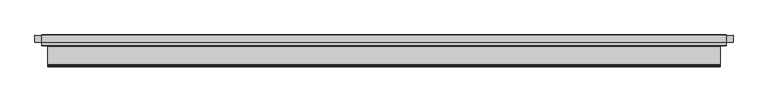
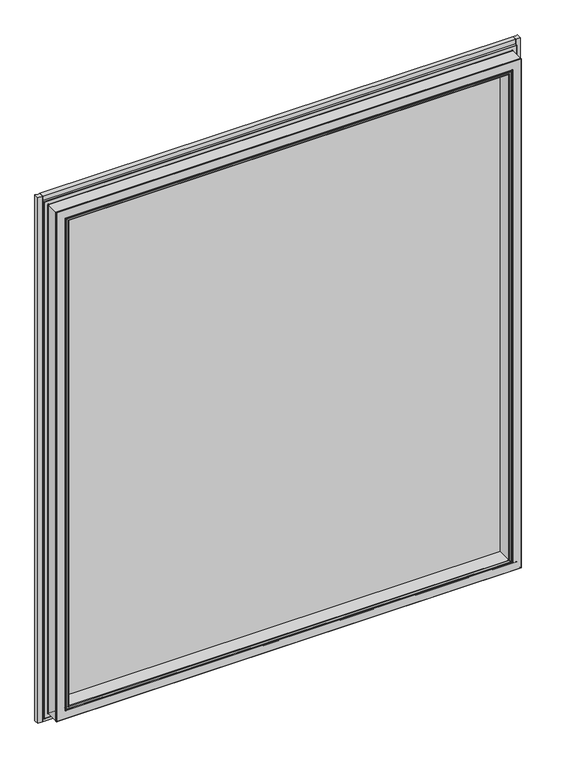
"""IFC4 building model written with IfcOpenShell, lengths in millimetres: plate geometry."""

from ifc_helpers import new_model, si_unit, point, frame, frame_2d, origin, place, context, project, spatial, polyline, circle_curve, ellipse_curve, trimmed, segment, composite_curve, outline, extrude, source, transform, mapped, element, save
from ifc_brep_helpers import plane_surface, cylinder_surface, revolved_surface, advanced_brep


def plate_c5e0ac38(model_context):
    return source(origin(), model_context, "Body", "SolidModel", [
        extrude(outline(polyline([(952.1049789, -8.0), (952.1049789, -14.0), (-952.1049789, -14.0), (-952.1049789, -8.0), (952.1049789, -8.0)])), frame((0.0, 0.0, 69.0422165), z_axis=(0.0, 0.0, 1.0), x_axis=(1.0, 0.0, 0.0)), (0.0, 0.0, 1.0), 2214.8236393),
        extrude(outline(polyline([(998.1471954, 14.0), (998.1471954, 8.0), (-998.2989015, 8.0), (-998.2989015, 14.0), (998.1471954, 14.0)])), frame((0.0, 0.0, 22.8482938), z_axis=(0.0, 0.0, 1.0), x_axis=(1.0, 0.0, 0.0)), (0.0, 0.0, 1.0), 2307.2114845),
        advanced_brep(
        [(1010.6058611, -18.0, 2342.366738), (1011.1471954, -17.4586657, 2342.9080722), (-1011.1471954, -17.4586657, 2342.9080722), (-1010.6058611, -18.0, 2342.366738), (992.6980354, -19.0434673, 2324.4589122), (993.7415027, -18.0, 2325.5023795), (-993.7415027, -18.0, 2325.5023795), (-992.6980354, -19.0434673, 2324.4589122), (992.6980354, -74.0150336, 2324.4589122), (-992.6980354, -74.0150336, 2324.4589122), (993.1968973, -74.5150323, 2324.9577741), (-993.1968973, -74.5150323, 2324.9577741), (993.6288142, -75.2649576, 2325.3896911), (-993.6288142, -75.2649576, 2325.3896911), (993.1968973, -76.0148829, 2324.9577741), (-993.1968973, -76.0148829, 2324.9577741), (992.6980354, -76.5148816, 2324.4589122), (-992.6980354, -76.5148816, 2324.4589122), (992.6980354, -78.0150323, 2324.4589122), (-992.6980354, -78.0150323, 2324.4589122), (993.1968973, -78.515031, 2324.9577741), (-993.1968973, -78.515031, 2324.9577741), (993.6287929, -79.2649933, 2325.3896697), (-993.6287929, -79.2649933, 2325.3896697), (993.1957592, -80.0149569, 2324.956636), (-993.1957592, -80.0149569, 2324.956636), (956.1980354, -79.5149569, 2287.9589122), (956.6980354, -80.0149569, 2288.4589122), (-956.6980354, -80.0149569, 2288.4589122), (-956.1980354, -79.5149569, 2287.9589122), (956.1980354, -72.0149569, 2287.9589122), (-956.1980354, -72.0149569, 2287.9589122), (951.1980354, -72.5149569, 2282.9589122), (951.6980354, -72.0149569, 2283.4589122), (-951.6980354, -72.0149569, 2283.4589122), (-951.1980354, -72.5149569, 2282.9589122), (951.1980354, -79.5149569, 2282.9589122), (-951.1980354, -79.5149569, 2282.9589122), (950.6980354, -80.0149569, 2282.4589122), (-950.6980354, -80.0149569, 2282.4589122), (941.1980354, -78.5149569, 2272.9589122), (942.6980354, -80.0149569, 2274.4589122), (-942.6980354, -80.0149569, 2274.4589122), (-941.1980354, -78.5149569, 2272.9589122), (941.1980354, -14.0, 2272.9589122), (-941.1980354, -14.0, 2272.9589122), (952.1049789, 1.9889586, 2283.8658558), (952.1049789, -14.0, 2283.8658558), (-952.1049789, -14.0, 2283.8658558), (-952.1049789, 1.9889586, 2283.8658558), (982.1980354, 1.4889586, 2313.9589122), (981.6980354, 1.9889586, 2313.4589122), (-981.6980354, 1.9889586, 2313.4589122), (-982.1980354, 1.4889586, 2313.9589122), (982.1980354, -0.972538, 2313.9589122), (-982.1980354, -0.972538, 2313.9589122), (987.5175994, -2.1250171, 2319.2784762), (-987.5175994, -2.1250171, 2319.2784762), (991.1528104, 0.8069629, 2322.9136873), (-991.1528104, 0.8069629, 2322.9136873), (991.1528104, 4.0621387, 2322.9136873), (-991.1528104, 4.0621387, 2322.9136873), (992.1528104, 5.0621387, 2323.9136873), (-992.1528104, 5.0621387, 2323.9136873), (1005.2471954, 7.0621387, 2337.0080722), (1003.2471954, 5.0621387, 2335.0080722), (-1003.2471954, 5.0621387, 2335.0080722), (-1005.2471954, 7.0621387, 2337.0080722), (1005.2471954, 13.0, 2337.0080722), (-1005.2471954, 13.0, 2337.0080722), (1006.2471954, 14.0, 2338.0080722), (-1006.2471954, 14.0, 2338.0080722), (1011.1471954, 13.5, 2342.9080722), (1010.6471954, 14.0, 2342.4080722), (-1010.6471954, 14.0, 2342.4080722), (-1011.1471954, 13.5, 2342.9080722), (-1011.1471954, -17.4586657, 10.0), (-1010.6058611, -18.0, 10.5413343), (-993.7415027, -18.0, 27.4056927), (-992.6980354, -19.0434673, 28.44916), (-992.6980354, -74.0150336, 28.44916), (-993.1968973, -74.5150323, 27.9502981), (-993.6288142, -75.2649576, 27.5183811), (-993.1968973, -76.0148829, 27.9502981), (-992.6980354, -76.5148816, 28.44916), (-992.6980354, -78.0150323, 28.44916), (-993.1968973, -78.515031, 27.9502981), (-993.6287929, -79.2649933, 27.5184025), (-993.1957592, -80.0149569, 27.9514362), (-956.6980354, -80.0149569, 64.44916), (-956.1980354, -79.5149569, 64.94916), (-956.1980354, -72.0149569, 64.94916), (-951.6980354, -72.0149569, 69.44916), (-951.1980354, -72.5149569, 69.94916), (-951.1980354, -79.5149569, 69.94916), (-950.6980354, -80.0149569, 70.44916), (-942.6980354, -80.0149569, 78.44916), (-941.1980354, -78.5149569, 79.94916), (-941.1980354, -14.0, 79.94916), (-952.1049789, -14.0, 69.0422165), (-952.1049789, 1.9889586, 69.0422165), (-981.6980354, 1.9889586, 39.44916), (-982.1980354, 1.4889586, 38.94916), (-982.1980354, -0.972538, 38.94916), (-987.5175994, -2.1250171, 33.629596), (-991.1528104, 0.8069629, 29.9943849), (-991.1528104, 4.0621387, 29.9943849), (-992.1528104, 5.0621387, 28.9943849), (-1003.2471954, 5.0621387, 17.9), (-1005.2471954, 7.0621387, 15.9), (-1005.2471954, 13.0, 15.9), (-1006.2471954, 14.0, 14.9), (-1010.6471954, 14.0, 10.5), (-1011.1471954, 13.5, 10.0), (1011.1471954, -17.4586657, 10.0), (1010.6058611, -18.0, 10.5413343), (993.7415027, -18.0, 27.4056927), (992.6980354, -19.0434673, 28.44916), (992.6980354, -74.0150336, 28.44916), (993.1968973, -74.5150323, 27.9502981), (993.6288142, -75.2649576, 27.5183811), (993.1968973, -76.0148829, 27.9502981), (992.6980354, -76.5148816, 28.44916), (992.6980354, -78.0150323, 28.44916), (993.1968973, -78.515031, 27.9502981), (993.6287929, -79.2649933, 27.5184025), (993.1957592, -80.0149569, 27.9514362), (956.6980354, -80.0149569, 64.44916), (956.1980354, -79.5149569, 64.94916), (956.1980354, -72.0149569, 64.94916), (951.6980354, -72.0149569, 69.44916), (951.1980354, -72.5149569, 69.94916), (951.1980354, -79.5149569, 69.94916), (950.6980354, -80.0149569, 70.44916), (942.6980354, -80.0149569, 78.44916), (941.1980354, -78.5149569, 79.94916), (941.1980354, -14.0, 79.94916), (952.1049789, -14.0, 69.0422165), (952.1049789, 1.9889586, 69.0422165), (981.6980354, 1.9889586, 39.44916), (982.1980354, 1.4889586, 38.94916), (982.1980354, -0.972538, 38.94916), (987.5175994, -2.1250171, 33.629596), (991.1528104, 0.8069629, 29.9943849), (991.1528104, 4.0621387, 29.9943849), (992.1528104, 5.0621387, 28.9943849), (1003.2471954, 5.0621387, 17.9), (1005.2471954, 7.0621387, 15.9), (1005.2471954, 13.0, 15.9), (1006.2471954, 14.0, 14.9), (1010.6471954, 14.0, 10.5), (1011.1471954, 13.5, 10.0)],
        [
            (0, 1, ellipse_curve(frame((1010.6058611, -17.4586657, 2342.366738), z_axis=(-0.7071067811865475, 0.0, 0.7071067811865475), x_axis=(0.7071067811865476, 0.0, 0.7071067811865474)), 0.7655622, 0.5413343)),
            (1, 2),
            (2, 3, ellipse_curve(frame((-1010.6058611, -17.4586657, 2342.366738), z_axis=(0.7071067811865475, 0.0, 0.7071067811865475), x_axis=(0.7071067811865476, 0.0, -0.7071067811865474)), 0.7655622, 0.5413343)),
            (3, 0),
            (4, 5, ellipse_curve(frame((993.7415027, -19.0434673, 2325.5023795), z_axis=(0.7071067811865475, 0.0, -0.7071067811865475), x_axis=(-0.7071067811865476, 0.0, -0.7071067811865474)), 1.4756856, 1.0434673)),
            (5, 6),
            (6, 7, ellipse_curve(frame((-993.7415027, -19.0434673, 2325.5023795), z_axis=(-0.7071067811865475, 0.0, -0.7071067811865475), x_axis=(-0.7071067811865476, 0.0, 0.7071067811865474)), 1.4756856, 1.0434673)),
            (7, 4),
            (8, 4),
            (7, 9),
            (9, 8),
            (10, 8, ellipse_curve(frame((993.1980354, -74.0150336, 2324.9589122), z_axis=(0.7071067811865475, 0.0, -0.7071067811865475), x_axis=(-0.7071067811865476, 0.0, -0.7071067811865474)), 0.7071068, 0.5)),
            (9, 11, ellipse_curve(frame((-993.1980354, -74.0150336, 2324.9589122), z_axis=(-0.7071067811865475, 0.0, -0.7071067811865475), x_axis=(-0.7071067811865476, 0.0, 0.7071067811865474)), 0.7071068, 0.5)),
            (11, 10),
            (12, 10, ellipse_curve(frame((993.1957592, -75.015031, 2324.956636), z_axis=(-0.7071067811865475, 0.0, 0.7071067811865475), x_axis=(0.7071067811865476, 0.0, 0.7071067811865474)), 0.7071068, 0.5)),
            (11, 13, ellipse_curve(frame((-993.1957592, -75.015031, 2324.956636), z_axis=(0.7071067811865475, 0.0, 0.7071067811865475), x_axis=(0.7071067811865476, 0.0, -0.7071067811865474)), 0.7071068, 0.5)),
            (13, 12),
            (14, 12, ellipse_curve(frame((993.1957592, -75.5148842, 2324.956636), z_axis=(-0.7071067811865475, 0.0, 0.7071067811865475), x_axis=(0.7071067811865476, 0.0, 0.7071067811865474)), 0.7071068, 0.5)),
            (13, 15, ellipse_curve(frame((-993.1957592, -75.5148842, 2324.956636), z_axis=(0.7071067811865475, 0.0, 0.7071067811865475), x_axis=(0.7071067811865476, 0.0, -0.7071067811865474)), 0.7071068, 0.5)),
            (15, 14),
            (16, 14, ellipse_curve(frame((993.1980354, -76.5148816, 2324.9589122), z_axis=(0.7071067811865475, 0.0, -0.7071067811865475), x_axis=(-0.7071067811865476, 0.0, -0.7071067811865474)), 0.7071068, 0.5)),
            (15, 17, ellipse_curve(frame((-993.1980354, -76.5148816, 2324.9589122), z_axis=(-0.7071067811865475, 0.0, -0.7071067811865475), x_axis=(-0.7071067811865476, 0.0, 0.7071067811865474)), 0.7071068, 0.5)),
            (17, 16),
            (18, 16),
            (17, 19),
            (19, 18),
            (20, 18, ellipse_curve(frame((993.1980354, -78.0150323, 2324.9589122), z_axis=(0.7071067811865475, 0.0, -0.7071067811865475), x_axis=(-0.7071067811865476, 0.0, -0.7071067811865474)), 0.7071068, 0.5)),
            (19, 21, ellipse_curve(frame((-993.1980354, -78.0150323, 2324.9589122), z_axis=(-0.7071067811865475, 0.0, -0.7071067811865475), x_axis=(-0.7071067811865476, 0.0, 0.7071067811865474)), 0.7071068, 0.5)),
            (21, 20),
            (22, 20, ellipse_curve(frame((993.1957592, -79.0150297, 2324.956636), z_axis=(-0.7071067811865475, 0.0, 0.7071067811865475), x_axis=(0.7071067811865476, 0.0, 0.7071067811865474)), 0.7071068, 0.5)),
            (21, 23, ellipse_curve(frame((-993.1957592, -79.0150297, 2324.956636), z_axis=(0.7071067811865475, 0.0, 0.7071067811865475), x_axis=(0.7071067811865476, 0.0, -0.7071067811865474)), 0.7071068, 0.5)),
            (23, 22),
            (24, 22, ellipse_curve(frame((993.1957592, -79.5149569, 2324.956636), z_axis=(-0.7071067811865475, 0.0, 0.7071067811865475), x_axis=(0.7071067811865476, 0.0, 0.7071067811865474)), 0.7071068, 0.5)),
            (23, 25, ellipse_curve(frame((-993.1957592, -79.5149569, 2324.956636), z_axis=(0.7071067811865475, 0.0, 0.7071067811865475), x_axis=(0.7071067811865476, 0.0, -0.7071067811865474)), 0.7071068, 0.5)),
            (25, 24),
            (26, 27, ellipse_curve(frame((956.6980354, -79.5149569, 2288.4589122), z_axis=(-0.7071067811865475, 0.0, 0.7071067811865475), x_axis=(0.7071067811865476, 0.0, 0.7071067811865474)), 0.7071068, 0.5)),
            (27, 28),
            (28, 29, ellipse_curve(frame((-956.6980354, -79.5149569, 2288.4589122), z_axis=(0.7071067811865475, 0.0, 0.7071067811865475), x_axis=(0.7071067811865476, 0.0, -0.7071067811865474)), 0.7071068, 0.5)),
            (29, 26),
            (30, 26),
            (29, 31),
            (31, 30),
            (32, 33, ellipse_curve(frame((951.6980354, -72.5149569, 2283.4589122), z_axis=(0.7071067811865475, 0.0, -0.7071067811865475), x_axis=(-0.7071067811865476, 0.0, -0.7071067811865474)), 0.7071068, 0.5)),
            (33, 34),
            (34, 35, ellipse_curve(frame((-951.6980354, -72.5149569, 2283.4589122), z_axis=(-0.7071067811865475, 0.0, -0.7071067811865475), x_axis=(-0.7071067811865476, 0.0, 0.7071067811865474)), 0.7071068, 0.5)),
            (35, 32),
            (36, 32),
            (35, 37),
            (37, 36),
            (38, 36, ellipse_curve(frame((950.6980354, -79.5149569, 2282.4589122), z_axis=(-0.7071067811865475, 0.0, 0.7071067811865475), x_axis=(0.7071067811865476, 0.0, 0.7071067811865474)), 0.7071068, 0.5)),
            (37, 39, ellipse_curve(frame((-950.6980354, -79.5149569, 2282.4589122), z_axis=(0.7071067811865475, 0.0, 0.7071067811865475), x_axis=(0.7071067811865476, 0.0, -0.7071067811865474)), 0.7071068, 0.5)),
            (39, 38),
            (40, 41, ellipse_curve(frame((942.6980354, -78.5149569, 2274.4589122), z_axis=(-0.7071067811865475, 0.0, 0.7071067811865475), x_axis=(0.7071067811865476, 0.0, 0.7071067811865474)), 2.1213203, 1.5)),
            (41, 42),
            (42, 43, ellipse_curve(frame((-942.6980354, -78.5149569, 2274.4589122), z_axis=(0.7071067811865475, 0.0, 0.7071067811865475), x_axis=(0.7071067811865476, 0.0, -0.7071067811865474)), 2.1213203, 1.5)),
            (43, 40),
            (44, 40),
            (43, 45),
            (45, 44),
            (46, 47),
            (47, 48),
            (48, 49),
            (49, 46),
            (50, 51, ellipse_curve(frame((981.6980354, 1.4889586, 2313.4589122), z_axis=(-0.7071067811865475, 0.0, 0.7071067811865475), x_axis=(0.7071067811865476, 0.0, 0.7071067811865474)), 0.7071068, 0.5)),
            (51, 52),
            (52, 53, ellipse_curve(frame((-981.6980354, 1.4889586, 2313.4589122), z_axis=(0.7071067811865475, 0.0, 0.7071067811865475), x_axis=(0.7071067811865476, 0.0, -0.7071067811865474)), 0.7071068, 0.5)),
            (53, 50),
            (54, 50),
            (53, 55),
            (55, 54),
            (56, 54),
            (55, 57),
            (57, 56),
            (58, 56, ellipse_curve(frame((988.1528104, 0.8069629, 2319.9136873), z_axis=(0.7071067811865475, 0.0, -0.7071067811865475), x_axis=(-0.7071067811865476, 0.0, -0.7071067811865474)), 4.2426407, 3.0)),
            (57, 59, ellipse_curve(frame((-988.1528104, 0.8069629, 2319.9136873), z_axis=(-0.7071067811865475, 0.0, -0.7071067811865475), x_axis=(-0.7071067811865476, 0.0, 0.7071067811865474)), 4.2426407, 3.0)),
            (59, 58),
            (60, 58),
            (59, 61),
            (61, 60),
            (62, 60, ellipse_curve(frame((992.1528104, 4.0621387, 2323.9136873), z_axis=(-0.7071067811865475, 0.0, 0.7071067811865475), x_axis=(0.7071067811865476, 0.0, 0.7071067811865474)), 1.4142136, 1.0)),
            (61, 63, ellipse_curve(frame((-992.1528104, 4.0621387, 2323.9136873), z_axis=(0.7071067811865475, 0.0, 0.7071067811865475), x_axis=(0.7071067811865476, 0.0, -0.7071067811865474)), 1.4142136, 1.0)),
            (63, 62),
            (64, 65, ellipse_curve(frame((1003.2471954, 7.0621387, 2335.0080722), z_axis=(0.7071067811865475, 0.0, -0.7071067811865475), x_axis=(-0.7071067811865476, 0.0, -0.7071067811865474)), 2.8284271, 2.0)),
            (65, 66),
            (66, 67, ellipse_curve(frame((-1003.2471954, 7.0621387, 2335.0080722), z_axis=(-0.7071067811865475, 0.0, -0.7071067811865475), x_axis=(-0.7071067811865476, 0.0, 0.7071067811865474)), 2.8284271, 2.0)),
            (67, 64),
            (68, 64),
            (67, 69),
            (69, 68),
            (70, 68, ellipse_curve(frame((1006.2471954, 13.0, 2338.0080722), z_axis=(-0.7071067811865475, 0.0, 0.7071067811865475), x_axis=(0.7071067811865476, 0.0, 0.7071067811865474)), 1.4142136, 1.0)),
            (69, 71, ellipse_curve(frame((-1006.2471954, 13.0, 2338.0080722), z_axis=(0.7071067811865475, 0.0, 0.7071067811865475), x_axis=(0.7071067811865476, 0.0, -0.7071067811865474)), 1.4142136, 1.0)),
            (71, 70),
            (72, 73, ellipse_curve(frame((1010.6471954, 13.5, 2342.4080722), z_axis=(-0.7071067811865475, 0.0, 0.7071067811865475), x_axis=(0.7071067811865476, 0.0, 0.7071067811865474)), 0.7071068, 0.5)),
            (73, 74),
            (74, 75, ellipse_curve(frame((-1010.6471954, 13.5, 2342.4080722), z_axis=(0.7071067811865475, 0.0, 0.7071067811865475), x_axis=(0.7071067811865476, 0.0, -0.7071067811865474)), 0.7071068, 0.5)),
            (75, 72),
            (1, 72),
            (75, 2),
            (2, 76),
            (76, 77, ellipse_curve(frame((-1010.6058611, -17.4586657, 10.5413343), z_axis=(-0.7071067811865475, 0.0, 0.7071067811865475), x_axis=(0.7071067811865474, 0.0, 0.7071067811865476)), 0.7655622, 0.5413343)),
            (77, 3),
            (6, 78),
            (78, 79, ellipse_curve(frame((-993.7415027, -19.0434673, 27.4056927), z_axis=(0.7071067811865475, 0.0, -0.7071067811865475), x_axis=(-0.7071067811865474, 0.0, -0.7071067811865476)), 1.4756856, 1.0434673)),
            (79, 7),
            (79, 80),
            (80, 9),
            (80, 81, ellipse_curve(frame((-993.1980354, -74.0150336, 27.94916), z_axis=(0.7071067811865475, 0.0, -0.7071067811865475), x_axis=(-0.7071067811865474, 0.0, -0.7071067811865476)), 0.7071068, 0.5)),
            (81, 11),
            (81, 82, ellipse_curve(frame((-993.1957592, -75.015031, 27.9514362), z_axis=(-0.7071067811865475, 0.0, 0.7071067811865475), x_axis=(0.7071067811865474, 0.0, 0.7071067811865476)), 0.7071068, 0.5)),
            (82, 13),
            (82, 83, ellipse_curve(frame((-993.1957592, -75.5148842, 27.9514362), z_axis=(-0.7071067811865475, 0.0, 0.7071067811865475), x_axis=(0.7071067811865474, 0.0, 0.7071067811865476)), 0.7071068, 0.5)),
            (83, 15),
            (83, 84, ellipse_curve(frame((-993.1980354, -76.5148816, 27.94916), z_axis=(0.7071067811865475, 0.0, -0.7071067811865475), x_axis=(-0.7071067811865474, 0.0, -0.7071067811865476)), 0.7071068, 0.5)),
            (84, 17),
            (84, 85),
            (85, 19),
            (85, 86, ellipse_curve(frame((-993.1980354, -78.0150323, 27.94916), z_axis=(0.7071067811865475, 0.0, -0.7071067811865475), x_axis=(-0.7071067811865474, 0.0, -0.7071067811865476)), 0.7071068, 0.5)),
            (86, 21),
            (86, 87, ellipse_curve(frame((-993.1957592, -79.0150297, 27.9514362), z_axis=(-0.7071067811865475, 0.0, 0.7071067811865475), x_axis=(0.7071067811865474, 0.0, 0.7071067811865476)), 0.7071068, 0.5)),
            (87, 23),
            (87, 88, ellipse_curve(frame((-993.1957592, -79.5149569, 27.9514362), z_axis=(-0.7071067811865475, 0.0, 0.7071067811865475), x_axis=(0.7071067811865474, 0.0, 0.7071067811865476)), 0.7071068, 0.5)),
            (88, 25),
            (28, 89),
            (89, 90, ellipse_curve(frame((-956.6980354, -79.5149569, 64.44916), z_axis=(-0.7071067811865475, 0.0, 0.7071067811865475), x_axis=(0.7071067811865474, 0.0, 0.7071067811865476)), 0.7071068, 0.5)),
            (90, 29),
            (90, 91),
            (91, 31),
            (34, 92),
            (92, 93, ellipse_curve(frame((-951.6980354, -72.5149569, 69.44916), z_axis=(0.7071067811865475, 0.0, -0.7071067811865475), x_axis=(-0.7071067811865474, 0.0, -0.7071067811865476)), 0.7071068, 0.5)),
            (93, 35),
            (93, 94),
            (94, 37),
            (94, 95, ellipse_curve(frame((-950.6980354, -79.5149569, 70.44916), z_axis=(-0.7071067811865475, 0.0, 0.7071067811865475), x_axis=(0.7071067811865474, 0.0, 0.7071067811865476)), 0.7071068, 0.5)),
            (95, 39),
            (42, 96),
            (96, 97, ellipse_curve(frame((-942.6980354, -78.5149569, 78.44916), z_axis=(-0.7071067811865475, 0.0, 0.7071067811865475), x_axis=(0.7071067811865474, 0.0, 0.7071067811865476)), 2.1213203, 1.5)),
            (97, 43),
            (97, 98),
            (98, 45),
            (48, 99),
            (99, 100),
            (100, 49),
            (52, 101),
            (101, 102, ellipse_curve(frame((-981.6980354, 1.4889586, 39.44916), z_axis=(-0.7071067811865475, 0.0, 0.7071067811865475), x_axis=(0.7071067811865474, 0.0, 0.7071067811865476)), 0.7071068, 0.5)),
            (102, 53),
            (102, 103),
            (103, 55),
            (103, 104),
            (104, 57),
            (104, 105, ellipse_curve(frame((-988.1528104, 0.8069629, 32.9943849), z_axis=(0.7071067811865475, 0.0, -0.7071067811865475), x_axis=(-0.7071067811865474, 0.0, -0.7071067811865476)), 4.2426407, 3.0)),
            (105, 59),
            (105, 106),
            (106, 61),
            (106, 107, ellipse_curve(frame((-992.1528104, 4.0621387, 28.9943849), z_axis=(-0.7071067811865475, 0.0, 0.7071067811865475), x_axis=(0.7071067811865474, 0.0, 0.7071067811865476)), 1.4142136, 1.0)),
            (107, 63),
            (66, 108),
            (108, 109, ellipse_curve(frame((-1003.2471954, 7.0621387, 17.9), z_axis=(0.7071067811865475, 0.0, -0.7071067811865475), x_axis=(-0.7071067811865474, 0.0, -0.7071067811865476)), 2.8284271, 2.0)),
            (109, 67),
            (109, 110),
            (110, 69),
            (110, 111, ellipse_curve(frame((-1006.2471954, 13.0, 14.9), z_axis=(-0.7071067811865475, 0.0, 0.7071067811865475), x_axis=(0.7071067811865474, 0.0, 0.7071067811865476)), 1.4142136, 1.0)),
            (111, 71),
            (74, 112),
            (112, 113, ellipse_curve(frame((-1010.6471954, 13.5, 10.5), z_axis=(-0.7071067811865475, 0.0, 0.7071067811865475), x_axis=(0.7071067811865474, 0.0, 0.7071067811865476)), 0.7071068, 0.5)),
            (113, 75),
            (113, 76),
            (76, 114),
            (114, 115, ellipse_curve(frame((1010.6058611, -17.4586657, 10.5413343), z_axis=(-0.7071067811865475, 0.0, -0.7071067811865475), x_axis=(-0.7071067811865476, 0.0, 0.7071067811865474)), 0.7655622, 0.5413343)),
            (115, 77),
            (78, 116),
            (116, 117, ellipse_curve(frame((993.7415027, -19.0434673, 27.4056927), z_axis=(0.7071067811865475, 0.0, 0.7071067811865475), x_axis=(0.7071067811865476, 0.0, -0.7071067811865474)), 1.4756856, 1.0434673)),
            (117, 79),
            (117, 118),
            (118, 80),
            (118, 119, ellipse_curve(frame((993.1980354, -74.0150336, 27.94916), z_axis=(0.7071067811865475, 0.0, 0.7071067811865475), x_axis=(0.7071067811865476, 0.0, -0.7071067811865474)), 0.7071068, 0.5)),
            (119, 81),
            (119, 120, ellipse_curve(frame((993.1957592, -75.015031, 27.9514362), z_axis=(-0.7071067811865475, 0.0, -0.7071067811865475), x_axis=(-0.7071067811865476, 0.0, 0.7071067811865474)), 0.7071068, 0.5)),
            (120, 82),
            (120, 121, ellipse_curve(frame((993.1957592, -75.5148842, 27.9514362), z_axis=(-0.7071067811865475, 0.0, -0.7071067811865475), x_axis=(-0.7071067811865476, 0.0, 0.7071067811865474)), 0.7071068, 0.5)),
            (121, 83),
            (121, 122, ellipse_curve(frame((993.1980354, -76.5148816, 27.94916), z_axis=(0.7071067811865475, 0.0, 0.7071067811865475), x_axis=(0.7071067811865476, 0.0, -0.7071067811865474)), 0.7071068, 0.5)),
            (122, 84),
            (122, 123),
            (123, 85),
            (123, 124, ellipse_curve(frame((993.1980354, -78.0150323, 27.94916), z_axis=(0.7071067811865475, 0.0, 0.7071067811865475), x_axis=(0.7071067811865476, 0.0, -0.7071067811865474)), 0.7071068, 0.5)),
            (124, 86),
            (124, 125, ellipse_curve(frame((993.1957592, -79.0150297, 27.9514362), z_axis=(-0.7071067811865475, 0.0, -0.7071067811865475), x_axis=(-0.7071067811865476, 0.0, 0.7071067811865474)), 0.7071068, 0.5)),
            (125, 87),
            (125, 126, ellipse_curve(frame((993.1957592, -79.5149569, 27.9514362), z_axis=(-0.7071067811865475, 0.0, -0.7071067811865475), x_axis=(-0.7071067811865476, 0.0, 0.7071067811865474)), 0.7071068, 0.5)),
            (126, 88),
            (89, 127),
            (127, 128, ellipse_curve(frame((956.6980354, -79.5149569, 64.44916), z_axis=(-0.7071067811865475, 0.0, -0.7071067811865475), x_axis=(-0.7071067811865476, 0.0, 0.7071067811865474)), 0.7071068, 0.5)),
            (128, 90),
            (128, 129),
            (129, 91),
            (92, 130),
            (130, 131, ellipse_curve(frame((951.6980354, -72.5149569, 69.44916), z_axis=(0.7071067811865475, 0.0, 0.7071067811865475), x_axis=(0.7071067811865476, 0.0, -0.7071067811865474)), 0.7071068, 0.5)),
            (131, 93),
            (131, 132),
            (132, 94),
            (132, 133, ellipse_curve(frame((950.6980354, -79.5149569, 70.44916), z_axis=(-0.7071067811865475, 0.0, -0.7071067811865475), x_axis=(-0.7071067811865476, 0.0, 0.7071067811865474)), 0.7071068, 0.5)),
            (133, 95),
            (96, 134),
            (134, 135, ellipse_curve(frame((942.6980354, -78.5149569, 78.44916), z_axis=(-0.7071067811865475, 0.0, -0.7071067811865475), x_axis=(-0.7071067811865476, 0.0, 0.7071067811865474)), 2.1213203, 1.5)),
            (135, 97),
            (135, 136),
            (136, 98),
            (99, 137),
            (137, 138),
            (138, 100),
            (101, 139),
            (139, 140, ellipse_curve(frame((981.6980354, 1.4889586, 39.44916), z_axis=(-0.7071067811865475, 0.0, -0.7071067811865475), x_axis=(-0.7071067811865476, 0.0, 0.7071067811865474)), 0.7071068, 0.5)),
            (140, 102),
            (140, 141),
            (141, 103),
            (141, 142),
            (142, 104),
            (142, 143, ellipse_curve(frame((988.1528104, 0.8069629, 32.9943849), z_axis=(0.7071067811865475, 0.0, 0.7071067811865475), x_axis=(0.7071067811865476, 0.0, -0.7071067811865474)), 4.2426407, 3.0)),
            (143, 105),
            (143, 144),
            (144, 106),
            (144, 145, ellipse_curve(frame((992.1528104, 4.0621387, 28.9943849), z_axis=(-0.7071067811865475, 0.0, -0.7071067811865475), x_axis=(-0.7071067811865476, 0.0, 0.7071067811865474)), 1.4142136, 1.0)),
            (145, 107),
            (108, 146),
            (146, 147, ellipse_curve(frame((1003.2471954, 7.0621387, 17.9), z_axis=(0.7071067811865475, 0.0, 0.7071067811865475), x_axis=(0.7071067811865476, 0.0, -0.7071067811865474)), 2.8284271, 2.0)),
            (147, 109),
            (147, 148),
            (148, 110),
            (148, 149, ellipse_curve(frame((1006.2471954, 13.0, 14.9), z_axis=(-0.7071067811865475, 0.0, -0.7071067811865475), x_axis=(-0.7071067811865476, 0.0, 0.7071067811865474)), 1.4142136, 1.0)),
            (149, 111),
            (112, 150),
            (150, 151, ellipse_curve(frame((1010.6471954, 13.5, 10.5), z_axis=(-0.7071067811865475, 0.0, -0.7071067811865475), x_axis=(-0.7071067811865476, 0.0, 0.7071067811865474)), 0.7071068, 0.5)),
            (151, 113),
            (151, 114),
            (114, 1),
            (0, 115),
            (5, 116),
            (4, 117),
            (8, 118),
            (10, 119),
            (12, 120),
            (14, 121),
            (16, 122),
            (18, 123),
            (20, 124),
            (22, 125),
            (24, 126),
            (27, 127),
            (26, 128),
            (30, 129),
            (33, 130),
            (32, 131),
            (36, 132),
            (38, 133),
            (41, 134),
            (40, 135),
            (44, 136),
            (47, 137),
            (46, 138),
            (51, 139),
            (50, 140),
            (54, 141),
            (56, 142),
            (58, 143),
            (60, 144),
            (62, 145),
            (65, 146),
            (64, 147),
            (68, 148),
            (70, 149),
            (73, 150),
            (72, 151),
        ],
        [
            cylinder_surface(frame((941.1980354, -17.4586657, 2342.366738), z_axis=(1.0, 0.0, 0.0), x_axis=(0.0, 0.0, -1.0)), 0.5413343),
            revolved_surface(polyline([(-994.7849699946594, -19.0434673, 2324.4589122), (994.7849699946593, -19.0434673, 2324.4589122)]), (941.1980354, -19.0434673, 2325.5023795), (-1.0, 0.0, 0.0)),
            plane_surface(frame((992.6980354, -19.0434673, 2324.4589122), z_axis=(0.0, 0.0, 1.0), x_axis=(-1.0, 0.0, 0.0))),
            revolved_surface(polyline([(-993.6980354133032, -74.0150336, 2324.4589122), (993.6980354133032, -74.0150336, 2324.4589122)]), (941.1980354, -74.0150336, 2324.9589122), (-1.0, 0.0, 0.0)),
            cylinder_surface(frame((941.1980354, -75.015031, 2324.956636), z_axis=(1.0, 0.0, 0.0), x_axis=(0.0, 0.0, -1.0)), 0.5),
            cylinder_surface(frame((941.1980354, -75.5148842, 2324.956636), z_axis=(1.0, 0.0, 0.0), x_axis=(0.0, 0.0, -1.0)), 0.5),
            revolved_surface(polyline([(-993.6980354133032, -76.5148816, 2324.4589122), (993.6980354133032, -76.5148816, 2324.4589122)]), (941.1980354, -76.5148816, 2324.9589122), (-1.0, 0.0, 0.0)),
            plane_surface(frame((992.6980354, -76.5148816, 2324.4589122), z_axis=(0.0, 0.0, 1.0), x_axis=(-1.0, 0.0, 0.0))),
            revolved_surface(polyline([(-993.6980354133032, -78.0150323, 2324.4589122), (993.6980354133032, -78.0150323, 2324.4589122)]), (941.1980354, -78.0150323, 2324.9589122), (-1.0, 0.0, 0.0)),
            cylinder_surface(frame((941.1980354, -79.0150297, 2324.956636), z_axis=(1.0, 0.0, 0.0), x_axis=(0.0, 0.0, -1.0)), 0.5),
            cylinder_surface(frame((941.1980354, -79.5149569, 2324.956636), z_axis=(1.0, 0.0, 0.0), x_axis=(0.0, 0.0, -1.0)), 0.5),
            cylinder_surface(frame((941.1980354, -79.5149569, 2288.4589122), z_axis=(1.0, 0.0, 0.0), x_axis=(0.0, 0.0, -1.0)), 0.5),
            plane_surface(frame((956.1980354, -79.5149569, 2287.9589122), z_axis=(0.0, 0.0, -1.0), x_axis=(-1.0, 0.0, 0.0))),
            revolved_surface(polyline([(-952.1980354133032, -72.5149569, 2282.9589122), (952.198035413303, -72.5149569, 2282.9589122)]), (941.1980354, -72.5149569, 2283.4589122), (-1.0, 0.0, 0.0)),
            plane_surface(frame((951.1980354, -72.5149569, 2282.9589122), z_axis=(0.0, 0.0, 1.0), x_axis=(-1.0, 0.0, 0.0))),
            cylinder_surface(frame((941.1980354, -79.5149569, 2282.4589122), z_axis=(1.0, 0.0, 0.0), x_axis=(0.0, 0.0, -1.0)), 0.5),
            cylinder_surface(frame((941.1980354, -78.5149569, 2274.4589122), z_axis=(1.0, 0.0, 0.0), x_axis=(0.0, 0.0, -1.0)), 1.5),
            plane_surface(frame((941.1980354, -78.5149569, 2272.9589122), z_axis=(0.0, 0.0, -1.0), x_axis=(-1.0, 0.0, 0.0))),
            plane_surface(frame((952.1049789, -14.0, 2283.8658558), z_axis=(0.0, 0.0, -1.0), x_axis=(-1.0, 0.0, 0.0))),
            cylinder_surface(frame((941.1980354, 1.4889586, 2313.4589122), z_axis=(1.0, 0.0, 0.0), x_axis=(0.0, 0.0, -1.0)), 0.5),
            plane_surface(frame((982.1980354, 1.4889586, 2313.9589122), z_axis=(0.0, 0.0, 1.0), x_axis=(-1.0, 0.0, 0.0))),
            plane_surface(frame((982.1980354, -0.972538, 2313.9589122), z_axis=(0.0, 0.9773266768958132, 0.21173702233616784), x_axis=(-1.0, 0.0, 0.0))),
            revolved_surface(polyline([(-991.1528104091083, 0.8069629, 2316.9136873), (991.152810409108, 0.8069629, 2316.9136873)]), (941.1980354, 0.8069629, 2319.9136873), (-1.0, 0.0, 0.0)),
            plane_surface(frame((991.1528104, 0.8069629, 2322.9136873), z_axis=(0.0, 0.0, -1.0), x_axis=(-1.0, 0.0, 0.0))),
            cylinder_surface(frame((941.1980354, 4.0621387, 2323.9136873), z_axis=(1.0, 0.0, 0.0), x_axis=(0.0, 0.0, -1.0)), 1.0),
            revolved_surface(polyline([(-1005.2471954, 7.0621387, 2333.0080722), (1005.2471954, 7.0621387, 2333.0080722)]), (941.1980354, 7.0621387, 2335.0080722), (-1.0, 0.0, 0.0)),
            plane_surface(frame((1005.2471954, 7.0621387, 2337.0080722), z_axis=(0.0, 0.0, -1.0), x_axis=(-1.0, 0.0, 0.0))),
            cylinder_surface(frame((941.1980354, 13.0, 2338.0080722), z_axis=(1.0, 0.0, 0.0), x_axis=(0.0, 0.0, -1.0)), 1.0),
            cylinder_surface(frame((941.1980354, 13.5, 2342.4080722), z_axis=(1.0, 0.0, 0.0), x_axis=(0.0, 0.0, -1.0)), 0.5),
            plane_surface(frame((1011.1471954, 13.5, 2342.9080722), z_axis=(0.0, 0.0, 1.0), x_axis=(-1.0, 0.0, 0.0))),
            cylinder_surface(frame((-1010.6058611, -17.4586657, 2272.9589122), z_axis=(0.0, 0.0, 1.0), x_axis=(1.0, 0.0, 0.0)), 0.5413343),
            revolved_surface(polyline([(-992.6980354, -19.0434673, 26.362225405340723), (-992.6980354, -19.0434673, 2326.5458467946596)]), (-993.7415027, -19.0434673, 2272.9589122), (0.0, 0.0, -1.0)),
            plane_surface(frame((-992.6980354, -19.0434673, 2324.4589122), z_axis=(-1.0, 0.0, 0.0), x_axis=(0.0, 0.0, -1.0))),
            revolved_surface(polyline([(-992.6980354, -74.0150336, 27.44915998669694), (-992.6980354, -74.0150336, 2325.4589122133034)]), (-993.1980354, -74.0150336, 2272.9589122), (0.0, 0.0, -1.0)),
            cylinder_surface(frame((-993.1957592, -75.015031, 2272.9589122), z_axis=(0.0, 0.0, 1.0), x_axis=(1.0, 0.0, 0.0)), 0.5),
            cylinder_surface(frame((-993.1957592, -75.5148842, 2272.9589122), z_axis=(0.0, 0.0, 1.0), x_axis=(1.0, 0.0, 0.0)), 0.5),
            revolved_surface(polyline([(-992.6980354, -76.5148816, 27.44915998669694), (-992.6980354, -76.5148816, 2325.4589122133034)]), (-993.1980354, -76.5148816, 2272.9589122), (0.0, 0.0, -1.0)),
            plane_surface(frame((-992.6980354, -76.5148816, 2324.4589122), z_axis=(-1.0, 0.0, 0.0), x_axis=(0.0, 0.0, -1.0))),
            revolved_surface(polyline([(-992.6980354, -78.0150323, 27.44915998669694), (-992.6980354, -78.0150323, 2325.4589122133034)]), (-993.1980354, -78.0150323, 2272.9589122), (0.0, 0.0, -1.0)),
            cylinder_surface(frame((-993.1957592, -79.0150297, 2272.9589122), z_axis=(0.0, 0.0, 1.0), x_axis=(1.0, 0.0, 0.0)), 0.5),
            cylinder_surface(frame((-993.1957592, -79.5149569, 2272.9589122), z_axis=(0.0, 0.0, 1.0), x_axis=(1.0, 0.0, 0.0)), 0.5),
            cylinder_surface(frame((-956.6980354, -79.5149569, 2272.9589122), z_axis=(0.0, 0.0, 1.0), x_axis=(1.0, 0.0, 0.0)), 0.5),
            plane_surface(frame((-956.1980354, -79.5149569, 2287.9589122), z_axis=(1.0, 0.0, 0.0), x_axis=(0.0, 0.0, -1.0))),
            revolved_surface(polyline([(-951.1980354, -72.5149569, 68.94915998669694), (-951.1980354, -72.5149569, 2283.9589122133034)]), (-951.6980354, -72.5149569, 2272.9589122), (0.0, 0.0, -1.0)),
            plane_surface(frame((-951.1980354, -72.5149569, 2282.9589122), z_axis=(-1.0, 0.0, 0.0), x_axis=(0.0, 0.0, -1.0))),
            cylinder_surface(frame((-950.6980354, -79.5149569, 2272.9589122), z_axis=(0.0, 0.0, 1.0), x_axis=(1.0, 0.0, 0.0)), 0.5),
            cylinder_surface(frame((-942.6980354, -78.5149569, 2272.9589122), z_axis=(0.0, 0.0, 1.0), x_axis=(1.0, 0.0, 0.0)), 1.5),
            plane_surface(frame((-941.1980354, -78.5149569, 2272.9589122), z_axis=(1.0, 0.0, 0.0), x_axis=(0.0, 0.0, -1.0))),
            plane_surface(frame((-952.1049789, -14.0, 2283.8658558), z_axis=(1.0, 0.0, 0.0), x_axis=(0.0, 0.0, -1.0))),
            cylinder_surface(frame((-981.6980354, 1.4889586, 2272.9589122), z_axis=(0.0, 0.0, 1.0), x_axis=(1.0, 0.0, 0.0)), 0.5),
            plane_surface(frame((-982.1980354, 1.4889586, 2313.9589122), z_axis=(-1.0, 0.0, 0.0), x_axis=(0.0, 0.0, -1.0))),
            plane_surface(frame((-982.1980354, -0.972538, 2313.9589122), z_axis=(-0.21173702233616784, 0.9773266768958132, 0.0), x_axis=(0.0, 0.0, -1.0))),
            revolved_surface(polyline([(-985.1528104, 0.8069629, 29.99438489089198), (-985.1528104, 0.8069629, 2322.9136873091084)]), (-988.1528104, 0.8069629, 2272.9589122), (0.0, 0.0, -1.0)),
            plane_surface(frame((-991.1528104, 0.8069629, 2322.9136873), z_axis=(1.0, 0.0, 0.0), x_axis=(0.0, 0.0, -1.0))),
            cylinder_surface(frame((-992.1528104, 4.0621387, 2272.9589122), z_axis=(0.0, 0.0, 1.0), x_axis=(1.0, 0.0, 0.0)), 1.0),
            revolved_surface(polyline([(-1001.2471954, 7.0621387, 15.900000000000091), (-1001.2471954, 7.0621387, 2337.0080722)]), (-1003.2471954, 7.0621387, 2272.9589122), (0.0, 0.0, -1.0)),
            plane_surface(frame((-1005.2471954, 7.0621387, 2337.0080722), z_axis=(1.0, 0.0, 0.0), x_axis=(0.0, 0.0, -1.0))),
            cylinder_surface(frame((-1006.2471954, 13.0, 2272.9589122), z_axis=(0.0, 0.0, 1.0), x_axis=(1.0, 0.0, 0.0)), 1.0),
            cylinder_surface(frame((-1010.6471954, 13.5, 2272.9589122), z_axis=(0.0, 0.0, 1.0), x_axis=(1.0, 0.0, 0.0)), 0.5),
            plane_surface(frame((-1011.1471954, 13.5, 2342.9080722), z_axis=(-1.0, 0.0, 0.0), x_axis=(0.0, 0.0, -1.0))),
            cylinder_surface(frame((-941.1980354, -17.4586657, 10.5413343), z_axis=(-1.0, 0.0, 0.0), x_axis=(0.0, 0.0, 1.0)), 0.5413343),
            revolved_surface(polyline([(994.7849699946594, -19.0434673, 28.44916), (-994.7849699946593, -19.0434673, 28.44916)]), (-941.1980354, -19.0434673, 27.4056927), (1.0, 0.0, 0.0)),
            plane_surface(frame((-992.6980354, -19.0434673, 28.44916), z_axis=(0.0, 0.0, -1.0), x_axis=(1.0, 0.0, 0.0))),
            revolved_surface(polyline([(993.6980354133032, -74.0150336, 28.44916), (-993.6980354133032, -74.0150336, 28.44916)]), (-941.1980354, -74.0150336, 27.94916), (1.0, 0.0, 0.0)),
            cylinder_surface(frame((-941.1980354, -75.015031, 27.9514362), z_axis=(-1.0, 0.0, 0.0), x_axis=(0.0, 0.0, 1.0)), 0.5),
            cylinder_surface(frame((-941.1980354, -75.5148842, 27.9514362), z_axis=(-1.0, 0.0, 0.0), x_axis=(0.0, 0.0, 1.0)), 0.5),
            revolved_surface(polyline([(993.6980354133032, -76.5148816, 28.44916), (-993.6980354133032, -76.5148816, 28.44916)]), (-941.1980354, -76.5148816, 27.94916), (1.0, 0.0, 0.0)),
            plane_surface(frame((-992.6980354, -76.5148816, 28.44916), z_axis=(0.0, 0.0, -1.0), x_axis=(1.0, 0.0, 0.0))),
            revolved_surface(polyline([(993.6980354133032, -78.0150323, 28.44916), (-993.6980354133032, -78.0150323, 28.44916)]), (-941.1980354, -78.0150323, 27.94916), (1.0, 0.0, 0.0)),
            cylinder_surface(frame((-941.1980354, -79.0150297, 27.9514362), z_axis=(-1.0, 0.0, 0.0), x_axis=(0.0, 0.0, 1.0)), 0.5),
            cylinder_surface(frame((-941.1980354, -79.5149569, 27.9514362), z_axis=(-1.0, 0.0, 0.0), x_axis=(0.0, 0.0, 1.0)), 0.5),
            cylinder_surface(frame((-941.1980354, -79.5149569, 64.44916), z_axis=(-1.0, 0.0, 0.0), x_axis=(0.0, 0.0, 1.0)), 0.5),
            plane_surface(frame((-956.1980354, -79.5149569, 64.94916), z_axis=(0.0, 0.0, 1.0), x_axis=(1.0, 0.0, 0.0))),
            revolved_surface(polyline([(952.1980354133032, -72.5149569, 69.94916), (-952.198035413303, -72.5149569, 69.94916)]), (-941.1980354, -72.5149569, 69.44916), (1.0, 0.0, 0.0)),
            plane_surface(frame((-951.1980354, -72.5149569, 69.94916), z_axis=(0.0, 0.0, -1.0), x_axis=(1.0, 0.0, 0.0))),
            cylinder_surface(frame((-941.1980354, -79.5149569, 70.44916), z_axis=(-1.0, 0.0, 0.0), x_axis=(0.0, 0.0, 1.0)), 0.5),
            cylinder_surface(frame((-941.1980354, -78.5149569, 78.44916), z_axis=(-1.0, 0.0, 0.0), x_axis=(0.0, 0.0, 1.0)), 1.5),
            plane_surface(frame((-941.1980354, -78.5149569, 79.94916), z_axis=(0.0, 0.0, 1.0), x_axis=(1.0, 0.0, 0.0))),
            plane_surface(frame((-952.1049789, -14.0, 69.0422165), z_axis=(0.0, 0.0, 1.0), x_axis=(1.0, 0.0, 0.0))),
            cylinder_surface(frame((-941.1980354, 1.4889586, 39.44916), z_axis=(-1.0, 0.0, 0.0), x_axis=(0.0, 0.0, 1.0)), 0.5),
            plane_surface(frame((-982.1980354, 1.4889586, 38.94916), z_axis=(0.0, 0.0, -1.0), x_axis=(1.0, 0.0, 0.0))),
            plane_surface(frame((-982.1980354, -0.972538, 38.94916), z_axis=(0.0, 0.9773266768958132, -0.21173702233616784), x_axis=(1.0, 0.0, 0.0))),
            revolved_surface(polyline([(991.1528104091083, 0.8069629, 35.9943849), (-991.152810409108, 0.8069629, 35.9943849)]), (-941.1980354, 0.8069629, 32.9943849), (1.0, 0.0, 0.0)),
            plane_surface(frame((-991.1528104, 0.8069629, 29.9943849), z_axis=(0.0, 0.0, 1.0), x_axis=(1.0, 0.0, 0.0))),
            cylinder_surface(frame((-941.1980354, 4.0621387, 28.9943849), z_axis=(-1.0, 0.0, 0.0), x_axis=(0.0, 0.0, 1.0)), 1.0),
            revolved_surface(polyline([(1005.2471954, 7.0621387, 19.9), (-1005.2471954, 7.0621387, 19.9)]), (-941.1980354, 7.0621387, 17.9), (1.0, 0.0, 0.0)),
            plane_surface(frame((-1005.2471954, 7.0621387, 15.9), z_axis=(0.0, 0.0, 1.0), x_axis=(1.0, 0.0, 0.0))),
            cylinder_surface(frame((-941.1980354, 13.0, 14.9), z_axis=(-1.0, 0.0, 0.0), x_axis=(0.0, 0.0, 1.0)), 1.0),
            cylinder_surface(frame((-941.1980354, 13.5, 10.5), z_axis=(-1.0, 0.0, 0.0), x_axis=(0.0, 0.0, 1.0)), 0.5),
            plane_surface(frame((-1011.1471954, 13.5, 10.0), z_axis=(0.0, 0.0, -1.0), x_axis=(1.0, 0.0, 0.0))),
            cylinder_surface(frame((1010.6058611, -17.4586657, 79.94916), z_axis=(0.0, 0.0, -1.0), x_axis=(-1.0, 0.0, 0.0)), 0.5413343),
            plane_surface(frame((1010.6058611, -18.0, 10.5413343), z_axis=(0.0, -1.0, 0.0), x_axis=(0.0, 0.0, 1.0))),
            revolved_surface(polyline([(992.6980354, -19.0434673, 2326.5458467946596), (992.6980354, -19.0434673, 26.362225405340666)]), (993.7415027, -19.0434673, 79.94916), (0.0, 0.0, 1.0)),
            plane_surface(frame((992.6980354, -19.0434673, 28.44916), z_axis=(1.0, 0.0, 0.0), x_axis=(0.0, 0.0, 1.0))),
            revolved_surface(polyline([(992.6980354, -74.0150336, 2325.4589122133034), (992.6980354, -74.0150336, 27.449159986696877)]), (993.1980354, -74.0150336, 79.94916), (0.0, 0.0, 1.0)),
            cylinder_surface(frame((993.1957592, -75.015031, 79.94916), z_axis=(0.0, 0.0, -1.0), x_axis=(-1.0, 0.0, 0.0)), 0.5),
            cylinder_surface(frame((993.1957592, -75.5148842, 79.94916), z_axis=(0.0, 0.0, -1.0), x_axis=(-1.0, 0.0, 0.0)), 0.5),
            revolved_surface(polyline([(992.6980354, -76.5148816, 2325.4589122133034), (992.6980354, -76.5148816, 27.449159986696877)]), (993.1980354, -76.5148816, 79.94916), (0.0, 0.0, 1.0)),
            plane_surface(frame((992.6980354, -76.5148816, 28.44916), z_axis=(1.0, 0.0, 0.0), x_axis=(0.0, 0.0, 1.0))),
            revolved_surface(polyline([(992.6980354, -78.0150323, 2325.4589122133034), (992.6980354, -78.0150323, 27.449159986696877)]), (993.1980354, -78.0150323, 79.94916), (0.0, 0.0, 1.0)),
            cylinder_surface(frame((993.1957592, -79.0150297, 79.94916), z_axis=(0.0, 0.0, -1.0), x_axis=(-1.0, 0.0, 0.0)), 0.5),
            cylinder_surface(frame((993.1957592, -79.5149569, 79.94916), z_axis=(0.0, 0.0, -1.0), x_axis=(-1.0, 0.0, 0.0)), 0.5),
            plane_surface(frame((993.1957592, -80.0149569, 27.9514362), z_axis=(0.0, -1.0, 0.0), x_axis=(0.0, 0.0, 1.0))),
            cylinder_surface(frame((956.6980354, -79.5149569, 79.94916), z_axis=(0.0, 0.0, -1.0), x_axis=(-1.0, 0.0, 0.0)), 0.5),
            plane_surface(frame((956.1980354, -79.5149569, 64.94916), z_axis=(-1.0, 0.0, 0.0), x_axis=(0.0, 0.0, 1.0))),
            plane_surface(frame((956.1980354, -72.0149569, 64.94916), z_axis=(0.0, -1.0, 0.0), x_axis=(0.0, 0.0, 1.0))),
            revolved_surface(polyline([(951.1980354, -72.5149569, 2283.9589122133034), (951.1980354, -72.5149569, 68.94915998669688)]), (951.6980354, -72.5149569, 79.94916), (0.0, 0.0, 1.0)),
            plane_surface(frame((951.1980354, -72.5149569, 69.94916), z_axis=(1.0, 0.0, 0.0), x_axis=(0.0, 0.0, 1.0))),
            cylinder_surface(frame((950.6980354, -79.5149569, 79.94916), z_axis=(0.0, 0.0, -1.0), x_axis=(-1.0, 0.0, 0.0)), 0.5),
            plane_surface(frame((950.6980354, -80.0149569, 70.44916), z_axis=(0.0, -1.0, 0.0), x_axis=(0.0, 0.0, 1.0))),
            cylinder_surface(frame((942.6980354, -78.5149569, 79.94916), z_axis=(0.0, 0.0, -1.0), x_axis=(-1.0, 0.0, 0.0)), 1.5),
            plane_surface(frame((941.1980354, -78.5149569, 79.94916), z_axis=(-1.0, 0.0, 0.0), x_axis=(0.0, 0.0, 1.0))),
            plane_surface(frame((941.1980354, -14.0, 79.94916), z_axis=(0.0, 1.0, 0.0), x_axis=(0.0, 0.0, 1.0))),
            plane_surface(frame((952.1049789, -14.0, 69.0422165), z_axis=(-1.0, 0.0, 0.0), x_axis=(0.0, 0.0, 1.0))),
            plane_surface(frame((952.1049789, 1.9889586, 69.0422165), z_axis=(0.0, 1.0, 0.0), x_axis=(0.0, 0.0, 1.0))),
            cylinder_surface(frame((981.6980354, 1.4889586, 79.94916), z_axis=(0.0, 0.0, -1.0), x_axis=(-1.0, 0.0, 0.0)), 0.5),
            plane_surface(frame((982.1980354, 1.4889586, 38.94916), z_axis=(1.0, 0.0, 0.0), x_axis=(0.0, 0.0, 1.0))),
            plane_surface(frame((982.1980354, -0.972538, 38.94916), z_axis=(0.21173702233616784, 0.9773266768958132, 0.0), x_axis=(0.0, 0.0, 1.0))),
            revolved_surface(polyline([(985.1528104, 0.8069629, 2322.9136873091084), (985.1528104, 0.8069629, 29.994384890891958)]), (988.1528104, 0.8069629, 79.94916), (0.0, 0.0, 1.0)),
            plane_surface(frame((991.1528104, 0.8069629, 29.9943849), z_axis=(-1.0, 0.0, 0.0), x_axis=(0.0, 0.0, 1.0))),
            cylinder_surface(frame((992.1528104, 4.0621387, 79.94916), z_axis=(0.0, 0.0, -1.0), x_axis=(-1.0, 0.0, 0.0)), 1.0),
            plane_surface(frame((992.1528104, 5.0621387, 28.9943849), z_axis=(0.0, 1.0, 0.0), x_axis=(0.0, 0.0, 1.0))),
            revolved_surface(polyline([(1001.2471954, 7.0621387, 2337.0080722), (1001.2471954, 7.0621387, 15.900000000000006)]), (1003.2471954, 7.0621387, 79.94916), (0.0, 0.0, 1.0)),
            plane_surface(frame((1005.2471954, 7.0621387, 15.9), z_axis=(-1.0, 0.0, 0.0), x_axis=(0.0, 0.0, 1.0))),
            cylinder_surface(frame((1006.2471954, 13.0, 79.94916), z_axis=(0.0, 0.0, -1.0), x_axis=(-1.0, 0.0, 0.0)), 1.0),
            plane_surface(frame((1006.2471954, 14.0, 14.9), z_axis=(0.0, 1.0, 0.0), x_axis=(0.0, 0.0, 1.0))),
            cylinder_surface(frame((1010.6471954, 13.5, 79.94916), z_axis=(0.0, 0.0, -1.0), x_axis=(-1.0, 0.0, 0.0)), 0.5),
            plane_surface(frame((1011.1471954, 13.5, 10.0), z_axis=(1.0, 0.0, 0.0), x_axis=(0.0, 0.0, 1.0))),
        ],
        [
            (0, [[1, 2, 3, 4]]),
            (1, [[5, 6, 7, 8]]),
            (2, [[9, -8, 10, 11]]),
            (3, [[12, -11, 13, 14]]),
            (4, [[15, -14, 16, 17]]),
            (5, [[18, -17, 19, 20]]),
            (6, [[21, -20, 22, 23]]),
            (7, [[24, -23, 25, 26]]),
            (8, [[27, -26, 28, 29]]),
            (9, [[30, -29, 31, 32]]),
            (10, [[33, -32, 34, 35]]),
            (11, [[36, 37, 38, 39]]),
            (12, [[40, -39, 41, 42]]),
            (13, [[43, 44, 45, 46]]),
            (14, [[47, -46, 48, 49]]),
            (15, [[50, -49, 51, 52]]),
            (16, [[53, 54, 55, 56]]),
            (17, [[57, -56, 58, 59]]),
            (18, [[60, 61, 62, 63]]),
            (19, [[64, 65, 66, 67]]),
            (20, [[68, -67, 69, 70]]),
            (21, [[71, -70, 72, 73]]),
            (22, [[74, -73, 75, 76]]),
            (23, [[77, -76, 78, 79]]),
            (24, [[80, -79, 81, 82]]),
            (25, [[83, 84, 85, 86]]),
            (26, [[87, -86, 88, 89]]),
            (27, [[90, -89, 91, 92]]),
            (28, [[93, 94, 95, 96]]),
            (29, [[97, -96, 98, -2]]),
            (30, [[-3, 99, 100, 101]]),
            (31, [[-7, 102, 103, 104]]),
            (32, [[-10, -104, 105, 106]]),
            (33, [[-13, -106, 107, 108]]),
            (34, [[-16, -108, 109, 110]]),
            (35, [[-19, -110, 111, 112]]),
            (36, [[-22, -112, 113, 114]]),
            (37, [[-25, -114, 115, 116]]),
            (38, [[-28, -116, 117, 118]]),
            (39, [[-31, -118, 119, 120]]),
            (40, [[-34, -120, 121, 122]]),
            (41, [[-38, 123, 124, 125]]),
            (42, [[-41, -125, 126, 127]]),
            (43, [[-45, 128, 129, 130]]),
            (44, [[-48, -130, 131, 132]]),
            (45, [[-51, -132, 133, 134]]),
            (46, [[-55, 135, 136, 137]]),
            (47, [[-58, -137, 138, 139]]),
            (48, [[-62, 140, 141, 142]]),
            (49, [[-66, 143, 144, 145]]),
            (50, [[-69, -145, 146, 147]]),
            (51, [[-72, -147, 148, 149]]),
            (52, [[-75, -149, 150, 151]]),
            (53, [[-78, -151, 152, 153]]),
            (54, [[-81, -153, 154, 155]]),
            (55, [[-85, 156, 157, 158]]),
            (56, [[-88, -158, 159, 160]]),
            (57, [[-91, -160, 161, 162]]),
            (58, [[-95, 163, 164, 165]]),
            (59, [[-98, -165, 166, -99]]),
            (60, [[-100, 167, 168, 169]]),
            (61, [[-103, 170, 171, 172]]),
            (62, [[-105, -172, 173, 174]]),
            (63, [[-107, -174, 175, 176]]),
            (64, [[-109, -176, 177, 178]]),
            (65, [[-111, -178, 179, 180]]),
            (66, [[-113, -180, 181, 182]]),
            (67, [[-115, -182, 183, 184]]),
            (68, [[-117, -184, 185, 186]]),
            (69, [[-119, -186, 187, 188]]),
            (70, [[-121, -188, 189, 190]]),
            (71, [[-124, 191, 192, 193]]),
            (72, [[-126, -193, 194, 195]]),
            (73, [[-129, 196, 197, 198]]),
            (74, [[-131, -198, 199, 200]]),
            (75, [[-133, -200, 201, 202]]),
            (76, [[-136, 203, 204, 205]]),
            (77, [[-138, -205, 206, 207]]),
            (78, [[-141, 208, 209, 210]]),
            (79, [[-144, 211, 212, 213]]),
            (80, [[-146, -213, 214, 215]]),
            (81, [[-148, -215, 216, 217]]),
            (82, [[-150, -217, 218, 219]]),
            (83, [[-152, -219, 220, 221]]),
            (84, [[-154, -221, 222, 223]]),
            (85, [[-157, 224, 225, 226]]),
            (86, [[-159, -226, 227, 228]]),
            (87, [[-161, -228, 229, 230]]),
            (88, [[-164, 231, 232, 233]]),
            (89, [[-166, -233, 234, -167]]),
            (90, [[-168, 235, -1, 236]]),
            (91, [[-101, -169, -236, -4], [237, -170, -102, -6]]),
            (92, [[-171, -237, -5, 238]]),
            (93, [[-173, -238, -9, 239]]),
            (94, [[-175, -239, -12, 240]]),
            (95, [[-177, -240, -15, 241]]),
            (96, [[-179, -241, -18, 242]]),
            (97, [[-181, -242, -21, 243]]),
            (98, [[-183, -243, -24, 244]]),
            (99, [[-185, -244, -27, 245]]),
            (100, [[-187, -245, -30, 246]]),
            (101, [[-189, -246, -33, 247]]),
            (102, [[-122, -190, -247, -35], [248, -191, -123, -37]]),
            (103, [[-192, -248, -36, 249]]),
            (104, [[-194, -249, -40, 250]]),
            (105, [[-127, -195, -250, -42], [251, -196, -128, -44]]),
            (106, [[-197, -251, -43, 252]]),
            (107, [[-199, -252, -47, 253]]),
            (108, [[-201, -253, -50, 254]]),
            (109, [[-134, -202, -254, -52], [255, -203, -135, -54]]),
            (110, [[-204, -255, -53, 256]]),
            (111, [[-206, -256, -57, 257]]),
            (112, [[258, -208, -140, -61], [-139, -207, -257, -59]]),
            (113, [[-209, -258, -60, 259]]),
            (114, [[260, -211, -143, -65], [-142, -210, -259, -63]]),
            (115, [[-212, -260, -64, 261]]),
            (116, [[-214, -261, -68, 262]]),
            (117, [[-216, -262, -71, 263]]),
            (118, [[-218, -263, -74, 264]]),
            (119, [[-220, -264, -77, 265]]),
            (120, [[-222, -265, -80, 266]]),
            (121, [[267, -224, -156, -84], [-155, -223, -266, -82]]),
            (122, [[-225, -267, -83, 268]]),
            (123, [[-227, -268, -87, 269]]),
            (124, [[-229, -269, -90, 270]]),
            (125, [[271, -231, -163, -94], [-162, -230, -270, -92]]),
            (126, [[-232, -271, -93, 272]]),
            (127, [[-234, -272, -97, -235]]),
        ],
    ),
        extrude(outline(composite_curve([segment(polyline([(13.499631, -10.0), (-8.0, -10.0), (-8.0, 10.0), (13.499631, 10.0)]), True, "CONTINUOUS"), segment(trimmed(circle_curve(frame_2d((45.6328576, 0.0)), 33.6532948), [point((13.499631, 10.0))], [point((13.499631, -10.0))], True, "CARTESIAN"), True, "CONTINUOUS")], self_intersect=False)), frame((-1011.1471954, 0.0, 0.0), z_axis=(1.0, 0.0, 0.0), x_axis=(0.0, 1.0, 0.0)), (0.0, 0.0, 1.0), 2022.2943908),
        extrude(outline(composite_curve([segment(trimmed(circle_curve(frame_2d((45.6328576, 2352.9080722)), 33.6532948), [point((13.499631, 2362.9080722))], [point((13.499631, 2342.9080722))], True, "CARTESIAN"), True, "CONTINUOUS"), segment(polyline([(13.499631, 2342.9080722), (-8.0, 2342.9080722), (-8.0, 2362.9080722), (13.499631, 2362.9080722)]), True, "CONTINUOUS")], self_intersect=False)), frame((-1011.1471954, 0.0, 0.0), z_axis=(1.0, 0.0, 0.0), x_axis=(0.0, 1.0, 0.0)), (0.0, 0.0, 1.0), 2022.2943908),
        extrude(outline(composite_curve([segment(polyline([(1031.1471954, -8.0), (1011.1471954, -8.0), (1011.1471954, 13.5022002)]), True, "CONTINUOUS"), segment(trimmed(circle_curve(frame_2d((1021.0736836, 45.5022747)), 33.5043271), [point((1011.1471954, 13.5022002))], [point((1031.1471954, 13.548178))], True, "CARTESIAN"), True, "CONTINUOUS"), segment(polyline([(1031.1471954, 13.548178), (1031.1471954, -8.0)]), True, "CONTINUOUS")], self_intersect=False)), frame((0.0, 0.0, -10.0), z_axis=(0.0, 0.0, 1.0), x_axis=(1.0, 0.0, 0.0)), (0.0, 0.0, 1.0), 2372.9080722),
        extrude(outline(composite_curve([segment(polyline([(-1011.1471954, -8.0), (-1031.1471954, -8.0), (-1031.1471954, 13.499631)]), True, "CONTINUOUS"), segment(trimmed(circle_curve(frame_2d((-1021.1471954, 45.6328576)), 33.6532948), [point((-1031.1471954, 13.499631))], [point((-1011.1471954, 13.499631))], True, "CARTESIAN"), True, "CONTINUOUS"), segment(polyline([(-1011.1471954, 13.499631), (-1011.1471954, -8.0)]), True, "CONTINUOUS")], self_intersect=False)), frame((0.0, 0.0, -10.0), z_axis=(0.0, 0.0, 1.0), x_axis=(1.0, 0.0, 0.0)), (0.0, 0.0, 1.0), 2372.9080722),
    ])


if __name__ == "__main__":
    model = new_model("IFC4")
    model_context = context("Model", 3, world=origin())
    ifc_project = project(units=[si_unit("LENGTHUNIT", "METRE", prefix="MILLI")], contexts=[model_context])
    site = spatial("IfcSite", under=ifc_project)
    building = spatial("IfcBuilding", under=site)
    placement = place(None, origin())
    plate_shape = plate_c5e0ac38(model_context)
    element("IfcPlate", 1, at=placement, inside=building, context=model_context, shape_type="MappedRepresentation", body=[
        mapped(plate_shape, transform((0.0, 0.0, 0.0), x_axis=(1.0, 0.0, 0.0), y_axis=(0.0, 1.0, 0.0), z_axis=(0.0, 0.0, 1.0))),
    ])
    save(model, "model.ifc")
